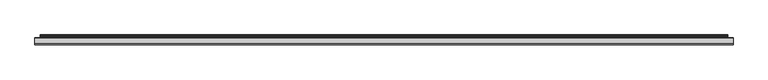
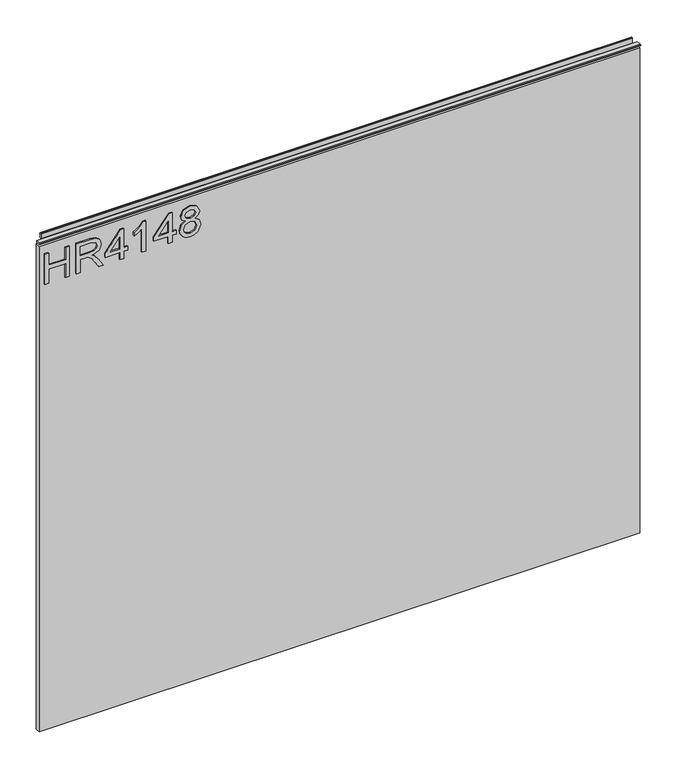
"""IFC4 building model written with IfcOpenShell, lengths in millimetres: furniture geometry."""

from ifc_helpers import new_model, si_unit, frame, origin, place, context, project, spatial, polyline, outline, extrude, source, transform, mapped, element, save


def furniture_2026c15f(model_context):
    return source(origin(), model_context, "Body", "SweptSolid", [
        extrude(outline(polyline([(1053.0078, -288.5795281), (1053.0078, -280.6058085), (1082.9092486, -280.6058085), (1082.9092486, -246.7175001), (1053.0078, -246.7175001), (1053.0078, -238.7437805), (1116.7975569, -238.7437805), (1116.7975569, -246.7175001), (1090.8829682, -246.7175001), (1090.8829682, -280.6058085), (1116.7975569, -280.6058085), (1116.7975569, -288.5795281), (1053.0078, -288.5795281)])), frame((0.0, -5.6037602, 0.0), z_axis=(0.0, 1.0, 0.0), x_axis=(0.0, 0.0, 1.0)), (0.0, 0.0, 1.0), 2.38125),
        extrude(outline(polyline([(1053.0078, -224.7897712), (1053.0078, -216.8160515), (1080.9158187, -216.8160515), (1080.9158187, -207.1915228), (1080.6354926, -202.5661424), (1079.1170596, -198.7739535), (1074.98225, -194.5612755), (1066.2298468, -188.5654121), (1053.0078, -180.2646454), (1053.0078, -170.9983111), (1070.294575, -181.6351285), (1078.5018996, -188.098202), (1081.9125336, -192.6301403), (1087.8461023, -179.2757173), (1099.3394716, -174.9540235), (1108.9873609, -177.5626135), (1115.0766663, -184.5396181), (1116.7975569, -197.3022416), (1116.7975569, -224.7897712), (1053.0078, -224.7897712)]), holes=[polyline([(1088.8895383, -216.8160515), (1108.8238373, -216.8160515), (1108.8238373, -196.9596208), (1106.0672975, -186.299443), (1099.0435719, -182.9277432), (1093.6317211, -184.6953548), (1090.0186294, -189.8658136), (1088.8895383, -198.9686244), (1088.8895383, -216.8160515)])]), frame((0.0, -5.6037602, 0.0), z_axis=(0.0, 1.0, 0.0), x_axis=(0.0, 0.0, 1.0)), (0.0, 0.0, 1.0), 2.38125),
        extrude(outline(polyline([(1053.0078, -138.0755703), (1053.0078, -130.1018507), (1067.9585243, -130.1018507), (1067.9585243, -122.1281311), (1075.9322439, -122.1281311), (1075.9322439, -130.1018507), (1115.800842, -130.1018507), (1115.800842, -136.0821404), (1075.9322439, -166.9803039), (1067.9585243, -166.9803039), (1067.9585243, -138.0755703), (1053.0078, -138.0755703)]), holes=[polyline([(1075.9322439, -138.0755703), (1075.9322439, -157.1688911), (1100.5697916, -138.0755703), (1075.9322439, -138.0755703)])]), frame((0.0, -5.6037602, 0.0), z_axis=(0.0, 1.0, 0.0), x_axis=(0.0, 0.0, 1.0)), (0.0, 0.0, 1.0), 2.38125),
        extrude(outline(polyline([(1053.0078, -85.2496778), (1116.7975569, -85.2496778), (1116.7975569, -90.3889893), (1108.3099062, -97.4827965), (1100.8501177, -109.1708367), (1093.3124609, -109.1708367), (1097.3382549, -100.7766279), (1102.7189582, -93.2233975), (1053.0078, -93.2233975), (1053.0078, -85.2496778)])), frame((0.0, -5.6037602, 0.0), z_axis=(0.0, 1.0, 0.0), x_axis=(0.0, 0.0, 1.0)), (0.0, 0.0, 1.0), 2.38125),
        extrude(outline(polyline([(1053.0078, -40.397505), (1053.0078, -32.4237854), (1067.9585243, -32.4237854), (1067.9585243, -24.4500657), (1075.9322439, -24.4500657), (1075.9322439, -32.4237854), (1115.800842, -32.4237854), (1115.800842, -38.4040751), (1075.9322439, -69.3022386), (1067.9585243, -69.3022386), (1067.9585243, -40.397505), (1053.0078, -40.397505)]), holes=[polyline([(1075.9322439, -40.397505), (1075.9322439, -59.4908258), (1100.5697916, -40.397505), (1075.9322439, -40.397505)])]), frame((0.0, -5.6037602, 0.0), z_axis=(0.0, 1.0, 0.0), x_axis=(0.0, 0.0, 1.0)), (0.0, 0.0, 1.0), 2.38125),
        extrude(outline(polyline([(1088.1420021, -5.8551024), (1082.3485964, -14.4517689), (1071.7896474, -17.4730611), (1064.0320125, -16.0324965), (1057.6721145, -11.7108028), (1053.4263424, -5.0374847), (1052.011085, 3.4579529), (1053.4205023, 11.9533905), (1057.648754, 18.6267086), (1071.571616, 24.3889669), (1081.8891731, 21.4844773), (1088.1420021, 13.0046133), (1093.071069, 20.0672732), (1100.5853653, 22.395537), (1112.0787346, 17.1627835), (1116.7975569, 3.3489372), (1112.1877503, -10.3403197), (1100.8033967, -15.4796312), (1093.0944295, -13.12022), (1088.1420021, -5.8551024)]), holes=[polyline([(1100.5697916, -7.5059116), (1106.3943446, -4.6325692), (1108.8238373, 3.4579529), (1106.3398368, 11.5251146), (1100.2115972, 14.4218174), (1094.2936022, 11.6185566), (1091.8796831, 3.5513949), (1094.3091758, -4.6792902), (1100.5697916, -7.5059116)]), polyline([(1072.0699735, -9.4993415), (1080.5264769, -6.1276417), (1083.9059635, 3.2554952), (1080.4797559, 12.9111713), (1071.8207947, 16.4152473), (1063.3253571, 13.020187), (1059.9848047, 3.5202476), (1061.5733191, -3.4567571), (1066.0663232, -8.1677926), (1072.0699735, -9.4993415)])]), frame((0.0, -5.6037602, 0.0), z_axis=(0.0, 1.0, 0.0), x_axis=(0.0, 0.0, 1.0)), (0.0, 0.0, 1.0), 2.38125),
        extrude(outline(polyline([(5.5562561, 1143.0), (5.5562561, 1139.8249996), (-3.975094, 1139.8249996), (-5.3492339, 1140.6183657), (-5.3492339, 1142.2066395), (-3.9751037, 1143.0), (5.5562561, 1143.0)])), frame((-298.196, 0.0, 0.0), z_axis=(1.0, 0.0, 0.0), x_axis=(0.0, 1.0, 0.0)), (0.0, 0.0, 1.0), 1205.992),
        extrude(outline(polyline([(907.796, 6.3500061), (907.796, -3.1749939), (-298.196, -3.1749939), (-298.196, 6.3500061), (907.796, 6.3500061)])), frame((0.0, 0.0, 104.69626), z_axis=(0.0, 0.0, 1.0), x_axis=(1.0, 0.0, 0.0)), (0.0, 0.0, 1.0), 1030.86154),
        extrude(outline(polyline([(5.5562561, 1143.0), (6.3500061, 1143.0), (6.3500061, 1152.87425), (7.1437561, 1153.668), (8.6677569, 1153.668), (10.0084363, 1153.2506926), (10.875413, 1152.1461816), (10.9623604, 1150.7447591), (10.2390011, 1147.7863459), (10.4046103, 1146.5833307), (11.6746103, 1144.3836103), (10.7786383, 1143.8663244), (7.1437561, 1143.8663244), (7.1437561, 1143.0), (6.3500061, 1142.7669239), (6.3500061, 1135.5578), (5.5562561, 1135.5578), (5.5562561, 1143.0)])), frame((-288.671, 0.0, 0.0), z_axis=(1.0, 0.0, 0.0), x_axis=(0.0, 1.0, 0.0)), (0.0, 0.0, 1.0), 1186.942),
    ])


if __name__ == "__main__":
    model = new_model("IFC4")
    model_context = context("Model", 3, world=origin())
    ifc_project = project(units=[si_unit("LENGTHUNIT", "METRE", prefix="MILLI")], contexts=[model_context])
    site = spatial("IfcSite", under=ifc_project)
    building = spatial("IfcBuilding", under=site)
    placement = place(None, origin())
    furniture_shape = furniture_2026c15f(model_context)
    element("IfcFurniture", 1, at=placement, inside=building, context=model_context, shape_type="MappedRepresentation", body=[
        mapped(furniture_shape, transform((0.0, 0.0, 0.0), x_axis=(1.0, 0.0, 0.0), y_axis=(0.0, 1.0, 0.0), z_axis=(0.0, 0.0, 1.0))),
    ])
    save(model, "model.ifc")
